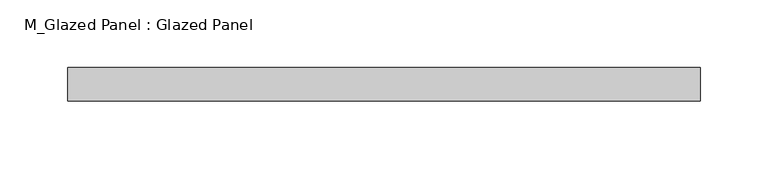
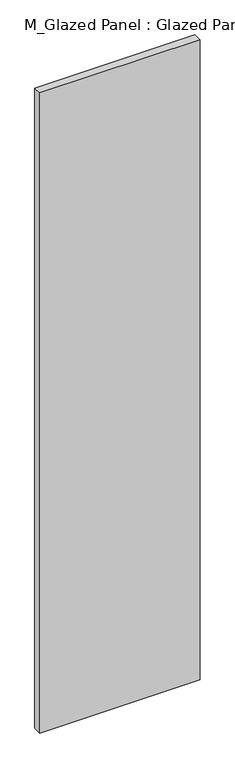
"""IFC4 building model written with IfcOpenShell, lengths in millimetres: plate geometry, M_Glazed Panel : Glazed Panel."""

from ifc_helpers import new_model, si_unit, origin, origin_with_axes, place, context, project, spatial, polyline, outline, extrude, source, transform, mapped, element, save


def m_glazed_panel_glazed_panel_d5cd9cb8(model_context):
    return source(origin(), model_context, "Body", "SweptSolid", [
        extrude(outline(polyline([(234.0040029, -38.5), (234.0040029, -63.5), (-234.0040029, -63.5), (-234.0040029, -38.5), (234.0040029, -38.5)])), origin_with_axes(), (0.0, 0.0, 1.0), 1975.0),
    ])


if __name__ == "__main__":
    model = new_model("IFC4")
    model_context = context("Model", 3, world=origin())
    ifc_project = project(units=[si_unit("LENGTHUNIT", "METRE", prefix="MILLI")], contexts=[model_context])
    site = spatial("IfcSite", under=ifc_project)
    building = spatial("IfcBuilding", under=site)
    placement = place(None, origin())
    m_glazed_panel_glazed_panel_shape = m_glazed_panel_glazed_panel_d5cd9cb8(model_context)
    element("IfcPlate", 1, ObjectType="M_Glazed Panel : Glazed Panel", at=placement, inside=building, context=model_context, shape_type="MappedRepresentation", body=[
        mapped(m_glazed_panel_glazed_panel_shape, transform((0.0, 0.0, 0.0), x_axis=(1.0, 0.0, 0.0), y_axis=(0.0, 1.0, 0.0), z_axis=(0.0, 0.0, 1.0))),
    ])
    save(model, "model.ifc")
